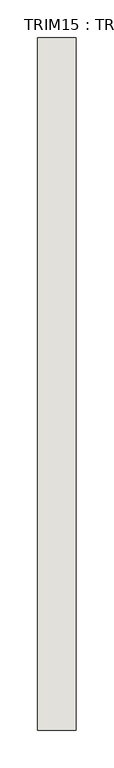
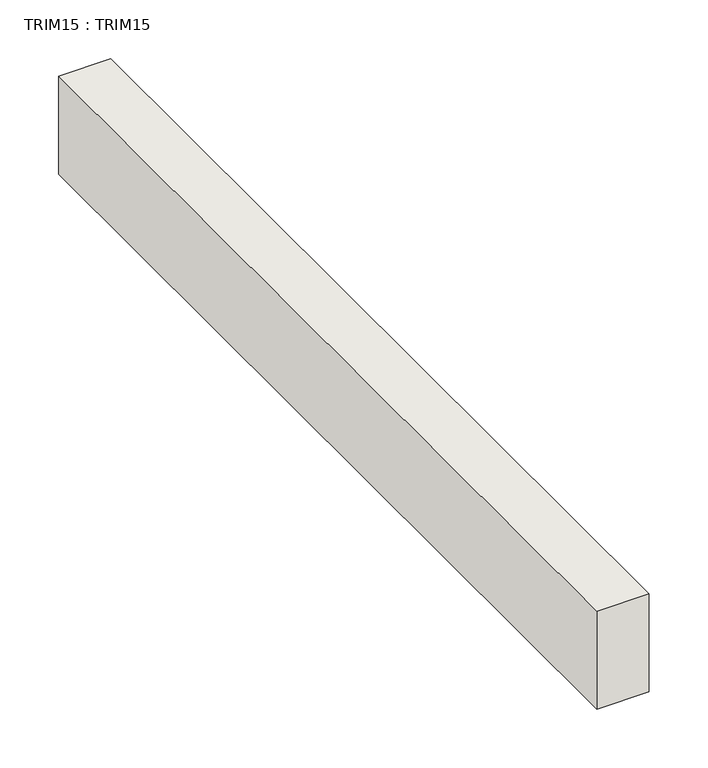
"""IFC4 building model written with IfcOpenShell, lengths in millimetres: wall geometry, TRIM15 : TRIM15."""

import ifcopenshell
import ifcopenshell.guid

model = None  # the IFC model being written
_history = None  # IfcOwnerHistory: only IFC2X3 demands one
_inside = {}  # id of a spatial element -> (the spatial element, [elements in it])
_under = {}  # id of a project, library or spatial element -> (it, [spatial elements below it])
_declared = {}  # id of a project -> (the project, [libraries it declares])
_typed = {}  # id of a type object -> (the type object, [elements of that type])
_made_of = {}  # id of a material, layer set ... -> (it, [elements and type objects made of it])


def new_model(schema):
    """Start an empty IFC model of exactly this schema.

    Asked for "IFC4X3", IfcOpenShell would pick the latest addendum, in which some entities
    have other attributes; the version numbers below select the first issue.
    IFC2X3 requires an IfcOwnerHistory on every rooted entity: one is made here for all.
    """
    global model, _history
    if schema == "IFC4X3":
        model = ifcopenshell.file(schema_version=(4, 3, 0, 0))
    else:
        model = ifcopenshell.file(schema=schema)
    _inside.clear()
    _under.clear()
    _declared.clear()
    _typed.clear()
    _made_of.clear()
    _history = None
    if model.schema == "IFC2X3":
        org = make("IfcOrganization", Name="unknown")
        user = make(
            "IfcPersonAndOrganization",
            ThePerson=make("IfcPerson", FamilyName="unknown"),
            TheOrganization=org,
        )
        app = make(
            "IfcApplication",
            ApplicationDeveloper=org,
            Version="unknown",
            ApplicationFullName="unknown",
            ApplicationIdentifier="unknown",
        )
        _history = make(
            "IfcOwnerHistory",
            OwningUser=user,
            OwningApplication=app,
            ChangeAction="ADDED",
            CreationDate=0,
        )
    return model


def make(cls, **values):
    """One entity of the class cls with the attributes given. An attribute that is None is left unset."""
    return model.create_entity(
        cls, **{name: value for name, value in values.items() if value is not None}
    )


def rooted(cls, **values):
    """An entity with a GlobalId (a new one), such as an element, a storey or a relation."""
    return make(cls, GlobalId=ifcopenshell.guid.new(), OwnerHistory=_history, **values)


def si_unit(unit_type, name, prefix=None):
    """IfcSIUnit, for example si_unit("LENGTHUNIT", "METRE", prefix="MILLI")."""
    return make("IfcSIUnit", UnitType=unit_type, Prefix=prefix, Name=name)


def assignment(units):
    """IfcUnitAssignment: the units of a project."""
    return None if units is None else make("IfcUnitAssignment", Units=units)


def point(xyz):
    """IfcCartesianPoint."""
    return None if xyz is None else make("IfcCartesianPoint", Coordinates=xyz)


def direction(xyz):
    """IfcDirection."""
    return None if xyz is None else make("IfcDirection", DirectionRatios=xyz)


def frame(location, z_axis=None, x_axis=None):
    """IfcAxis2Placement3D, a coordinate frame: its origin and axes. An axis left out is left unset."""
    return make(
        "IfcAxis2Placement3D",
        Location=point(location),
        Axis=direction(z_axis),
        RefDirection=direction(x_axis),
    )


def origin():
    """The frame at (0, 0, 0) with its axes left unset."""
    return frame((0.0, 0.0, 0.0))


def place(relative_to, where):
    """IfcLocalPlacement: puts the frame where relative to a parent placement (None: the world)."""
    return make(
        "IfcLocalPlacement", PlacementRelTo=relative_to, RelativePlacement=where
    )


def context(
    kind, dimensions, precision=None, world=None, true_north=None, identifier=None
):
    """IfcGeometricRepresentationContext, for example the 3D "Model" context."""
    return make(
        "IfcGeometricRepresentationContext",
        ContextIdentifier=identifier,
        ContextType=kind,
        CoordinateSpaceDimension=dimensions,
        Precision=precision,
        WorldCoordinateSystem=world,
        TrueNorth=true_north,
    )


def project(units=None, contexts=None):
    """IfcProject with its units and contexts."""
    return rooted(
        "IfcProject",
        Name="project",
        RepresentationContexts=contexts,
        UnitsInContext=assignment(units),
    )


def spatial(cls, under=None, at=None, **own):
    """A site, building, storey or space (cls), placed at a placement, below another one or the project."""
    s = rooted(cls, ObjectPlacement=at, **own)
    if under is not None:
        _under.setdefault(under.id(), (under, []))[1].append(s)
    return s


def polyline(points):
    """IfcPolyline through the points."""
    return make("IfcPolyline", Points=[point(p) for p in points])


def outline(outer, holes=None, kind="AREA"):
    """IfcArbitraryClosedProfileDef: a profile drawn as a closed curve; with holes, ...WithVoids."""
    if holes is None:
        return make("IfcArbitraryClosedProfileDef", ProfileType=kind, OuterCurve=outer)
    return make(
        "IfcArbitraryProfileDefWithVoids",
        ProfileType=kind,
        OuterCurve=outer,
        InnerCurves=holes,
    )


def extrude(swept, where, along, depth):
    """IfcExtrudedAreaSolid: the profile swept, set in the frame where, extruded along a direction by depth."""
    return make(
        "IfcExtrudedAreaSolid",
        SweptArea=swept,
        Position=where,
        ExtrudedDirection=direction(along),
        Depth=depth,
    )


def shape(context_of_items, identifier, shape_type, items):
    """IfcShapeRepresentation: the items that make up one representation, for example the "Body"."""
    return make(
        "IfcShapeRepresentation",
        ContextOfItems=context_of_items,
        RepresentationIdentifier=identifier,
        RepresentationType=shape_type,
        Items=items,
    )


def source(mapping_origin, context_of_items, identifier, shape_type, items):
    """IfcRepresentationMap: a shape defined once, which mapped items show again and again."""
    return make(
        "IfcRepresentationMap",
        MappingOrigin=mapping_origin,
        MappedRepresentation=shape(context_of_items, identifier, shape_type, items),
    )


def transform(
    local_origin,
    x_axis=None,
    y_axis=None,
    z_axis=None,
    scale=None,
    scale2=None,
    scale3=None,
    uniform=True,
):
    """IfcCartesianTransformationOperator3D, or its non-uniform kind. x_axis, y_axis, z_axis: its Axis1, 2, 3."""
    if uniform:
        return make(
            "IfcCartesianTransformationOperator3D",
            Axis1=direction(x_axis),
            Axis2=direction(y_axis),
            LocalOrigin=point(local_origin),
            Scale=scale,
            Axis3=direction(z_axis),
        )
    return make(
        "IfcCartesianTransformationOperator3DnonUniform",
        Axis1=direction(x_axis),
        Axis2=direction(y_axis),
        LocalOrigin=point(local_origin),
        Scale=scale,
        Axis3=direction(z_axis),
        Scale2=scale2,
        Scale3=scale3,
    )


def mapped(mapping_source, mapping_target):
    """IfcMappedItem: shows the shape of a source again, moved by a transform."""
    return make(
        "IfcMappedItem", MappingSource=mapping_source, MappingTarget=mapping_target
    )


def made_of(thing, what):
    """Note that an element or type object is made of a material, layer set ...; save() writes the relation."""
    if what is not None:
        _made_of.setdefault(what.id(), (what, []))[1].append(thing)
    return thing


def element(
    cls,
    number,
    at=None,
    inside=None,
    cuts=None,
    type_object=None,
    material=None,
    context=None,
    identifier="Body",
    shape_type=None,
    held_by="IfcProductDefinitionShape",
    body=None,
    shapes=None,
    **own,
):
    """One element of the class cls, such as IfcWall. Its Tag is "e" and its number.

    at: its placement. inside: the storey or other place that contains it. cuts: it is an
    opening in that element (IfcRelVoidsElement). A single representation is given by context,
    identifier, shape_type and body (its items); several are given by shapes. held_by: the class
    of the entity that holds the representations. save() writes the other relations.
    """
    e = rooted(cls, Tag="e%d" % number, ObjectPlacement=at, **own)
    if body is not None:
        shapes = [shape(context, identifier, shape_type, body)]
    if shapes is not None:
        e.Representation = make(held_by, Representations=shapes)
    if inside is not None:
        _inside.setdefault(inside.id(), (inside, []))[1].append(e)
    if cuts is not None:
        rooted(
            "IfcRelVoidsElement", RelatingBuildingElement=cuts, RelatedOpeningElement=e
        )
    if type_object is not None:
        _typed.setdefault(type_object.id(), (type_object, []))[1].append(e)
    return made_of(e, material)


def aggregate(whole, parts):
    """IfcRelAggregates: a whole, such as a stair, and the parts it consists of."""
    return rooted("IfcRelAggregates", RelatingObject=whole, RelatedObjects=parts)


def save(model, path):
    """Write the relations noted so far, then the file.

    IfcRelAggregates (storeys below a building ...), IfcRelContainedInSpatialStructure (elements
    in a storey), IfcRelDefinesByType, IfcRelAssociatesMaterial and IfcRelDeclares: one each for
    every whole, place, type object, material and project.
    """
    for whole, parts in _under.values():
        aggregate(whole, parts)
    for where, things in _inside.values():
        rooted(
            "IfcRelContainedInSpatialStructure",
            RelatedElements=things,
            RelatingStructure=where,
        )
    for kind, things in _typed.values():
        rooted("IfcRelDefinesByType", RelatedObjects=things, RelatingType=kind)
    for what, things in _made_of.values():
        rooted("IfcRelAssociatesMaterial", RelatedObjects=things, RelatingMaterial=what)
    for by, libraries in _declared.values():
        rooted("IfcRelDeclares", RelatingContext=by, RelatedDefinitions=libraries)
    model.write(path)


def trim15_trim15_30382a73(model_context):
    return source(origin(), model_context, "Body", "SweptSolid", [
        extrude(outline(polyline([(-9700.0216415, 2509.6988775), (-9700.0216415, 1595.2988775), (-9750.8216415, 1595.2988775), (-9750.8216415, 2509.6988775), (-9700.0216415, 2509.6988775)])), frame((0.0, 0.0, 5416.5780455), z_axis=(0.0, 0.0, 1.0), x_axis=(1.0, 0.0, 0.0)), (0.0, 0.0, 1.0), 101.6),
    ])


if __name__ == "__main__":
    model = new_model("IFC4")
    model_context = context("Model", 3, world=origin())
    ifc_project = project(units=[si_unit("LENGTHUNIT", "METRE", prefix="MILLI")], contexts=[model_context])
    site = spatial("IfcSite", under=ifc_project)
    building = spatial("IfcBuilding", under=site)
    placement = place(None, origin())
    trim15_trim15_shape = trim15_trim15_30382a73(model_context)
    element("IfcWall", 1, ObjectType="TRIM15 : TRIM15", at=placement, inside=building, context=model_context, shape_type="MappedRepresentation", body=[
        mapped(trim15_trim15_shape, transform((0.0, 0.0, 0.0), x_axis=(1.0, 0.0, 0.0), y_axis=(0.0, 1.0, 0.0), z_axis=(0.0, 0.0, 1.0))),
    ])
    save(model, "model.ifc")
